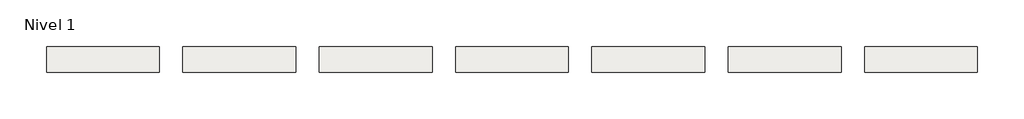
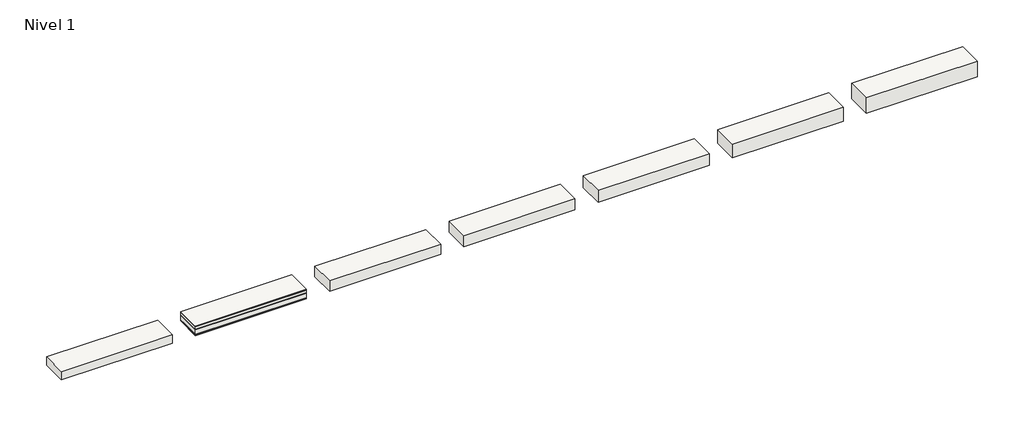
# One storey: 7 roofs.
"""IFC4 building model written with IfcOpenShell, lengths in millimetres."""

from ifc_helpers import new_model, si_unit, frame, origin, origin_with_axes, place, context, project, spatial, polyline, outline, extrude, element, save

model = new_model("IFC4")

# Units and contexts
model_context = context("Model", 3, world=origin())
ifc_project = project(units=[si_unit("LENGTHUNIT", "METRE", prefix="MILLI")], contexts=[model_context])

# Site, building, storey
site = spatial("IfcSite", under=ifc_project)
building = spatial("IfcBuilding", under=site)
storey = spatial("IfcBuildingStorey", under=building, Name="Nivel 1", Elevation=0.0)

# Roofs
placement = place(None, origin())
element("IfcRoof", 1, at=placement, inside=storey, context=model_context, shape_type="SweptSolid", body=[
    extrude(outline(polyline([(-924.6699095, -7444.5376473), (1475.3300905, -7444.5376473), (1475.3300905, -7994.5376473), (-924.6699095, -7994.5376473), (-924.6699095, -7444.5376473)])), frame((0.0, 0.0, 200.0), z_axis=(0.0, 0.0, 1.0), x_axis=(1.0, 0.0, 0.0)), (0.0, 0.0, 1.0), 12.5),
    extrude(outline(polyline([(-924.6699095, -7444.5376473), (1475.3300905, -7444.5376473), (1475.3300905, -7994.5376473), (-924.6699095, -7994.5376473), (-924.6699095, -7444.5376473)])), frame((0.0, 0.0, 140.0), z_axis=(0.0, 0.0, 1.0), x_axis=(1.0, 0.0, 0.0)), (0.0, 0.0, 1.0), 60.0),
    extrude(outline(polyline([(-924.6699095, -7444.5376473), (1475.3300905, -7444.5376473), (1475.3300905, -7994.5376473), (-924.6699095, -7994.5376473), (-924.6699095, -7444.5376473)])), frame((0.0, 0.0, 127.5), z_axis=(0.0, 0.0, 1.0), x_axis=(1.0, 0.0, 0.0)), (0.0, 0.0, 1.0), 12.5),
    extrude(outline(polyline([(-924.6699095, -7444.5376473), (1475.3300905, -7444.5376473), (1475.3300905, -7994.5376473), (-924.6699095, -7994.5376473), (-924.6699095, -7444.5376473)])), frame((0.0, 0.0, 27.5), z_axis=(0.0, 0.0, 1.0), x_axis=(1.0, 0.0, 0.0)), (0.0, 0.0, 1.0), 100.0),
    extrude(outline(polyline([(-924.6699095, -7444.5376473), (1475.3300905, -7444.5376473), (1475.3300905, -7994.5376473), (-924.6699095, -7994.5376473), (-924.6699095, -7444.5376473)])), frame((0.0, 0.0, 15.0), z_axis=(0.0, 0.0, 1.0), x_axis=(1.0, 0.0, 0.0)), (0.0, 0.0, 1.0), 12.5),
    extrude(outline(polyline([(-924.6699095, -7444.5376473), (1475.3300905, -7444.5376473), (1475.3300905, -7994.5376473), (-924.6699095, -7994.5376473), (-924.6699095, -7444.5376473)])), origin_with_axes(), (0.0, 0.0, 1.0), 15.0),
])
element("IfcRoof", 2, at=placement, inside=storey, context=model_context, shape_type="SweptSolid", body=[
    extrude(outline(polyline([(1975.3300905, -7444.5376473), (4375.3300905, -7444.5376473), (4375.3300905, -7994.5376473), (1975.3300905, -7994.5376473), (1975.3300905, -7444.5376473)])), origin_with_axes(), (0.0, 0.0, 1.0), 232.5),
])
element("IfcRoof", 3, at=placement, inside=storey, context=model_context, shape_type="SweptSolid", body=[
    extrude(outline(polyline([(4875.3300905, -7444.5376473), (7275.3300905, -7444.5376473), (7275.3300905, -7994.5376473), (4875.3300905, -7994.5376473), (4875.3300905, -7444.5376473)])), origin_with_axes(), (0.0, 0.0, 1.0), 252.5),
])
element("IfcRoof", 4, at=placement, inside=storey, context=model_context, shape_type="SweptSolid", body=[
    extrude(outline(polyline([(7775.3300905, -7444.5376473), (10175.3300905, -7444.5376473), (10175.3300905, -7994.5376473), (7775.3300905, -7994.5376473), (7775.3300905, -7444.5376473)])), origin_with_axes(), (0.0, 0.0, 1.0), 272.5),
])
element("IfcRoof", 5, at=placement, inside=storey, context=model_context, shape_type="SweptSolid", body=[
    extrude(outline(polyline([(10675.3300905, -7444.5376473), (13075.3300905, -7444.5376473), (13075.3300905, -7994.5376473), (10675.3300905, -7994.5376473), (10675.3300905, -7444.5376473)])), origin_with_axes(), (0.0, 0.0, 1.0), 312.5),
])
element("IfcRoof", 6, at=placement, inside=storey, context=model_context, shape_type="SweptSolid", body=[
    extrude(outline(polyline([(13575.3300905, -7444.5376473), (15975.3300905, -7444.5376473), (15975.3300905, -7994.5376473), (13575.3300905, -7994.5376473), (13575.3300905, -7444.5376473)])), origin_with_axes(), (0.0, 0.0, 1.0), 352.5),
])
element("IfcRoof", 7, at=placement, inside=storey, context=model_context, shape_type="SweptSolid", body=[
    extrude(outline(polyline([(-3824.6699095, -7444.5376473), (-1424.6699095, -7444.5376473), (-1424.6699095, -7994.5376473), (-3824.6699095, -7994.5376473), (-3824.6699095, -7444.5376473)])), origin_with_axes(), (0.0, 0.0, 1.0), 192.5),
])

save(model, "model.ifc")
